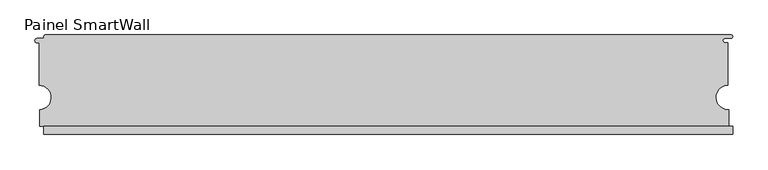
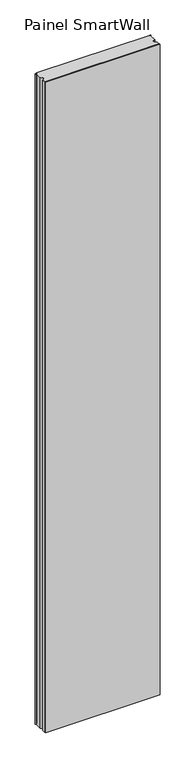
"""IFC4 building model written with IfcOpenShell, lengths in millimetres: proxy geometry, Painel SmartWall."""

from ifc_helpers import new_model, si_unit, frame, origin, origin_with_axes, place, context, project, spatial, polyline, circle_curve, outline, extrude, source, transform, mapped, element, save
from ifc_brep_helpers import plane_surface, cylinder_surface, revolved_surface, advanced_brep


def painel_smartwall_d69139a3(model_context):
    return source(origin(), model_context, "Body", "SolidModel", [
        extrude(outline(polyline([(572.5476627, -87.5), (-557.3296463, -87.5), (-557.3296463, -75.0), (572.5476627, -75.0), (572.5476627, -87.5)])), origin_with_axes(), (0.0, 0.0, 1.0), 6780.0),
        advanced_brep(
        [(-568.6450696, 62.2050825, 6780.0), (-565.0, 62.2050825, 6780.0), (-565.0, -7.5053016, 6780.0), (-563.9, -47.615849, 6780.0), (-563.9, -75.0, 6780.0), (566.1221557, -75.0, 6780.0), (566.1221557, -47.6227902, 6780.0), (565.0, -7.4999972, 6780.0), (565.0, 62.3531727, 6780.0), (559.4398936, 62.3531727, 6780.0), (560.0476622, 69.2999998, 6780.0), (569.8401627, 69.2999998, 6780.0), (572.5476627, 72.1500016, 6780.0), (569.840159, 75.0, 6780.0), (-554.8296463, 75.0, 6780.0), (-557.3296463, 72.5, 6780.0), (-557.3296463, 70.6188783, 6780.0), (-558.8296463, 69.1188783, 6780.0), (-568.6450696, 69.1188783, 6780.0), (-568.6450696, 62.2050825, 0.0), (-568.6450696, 69.1188783, 0.0), (-558.8296463, 69.1188783, 0.0), (-557.3296463, 70.6188783, 0.0), (-557.3296463, 72.5, 0.0), (-554.8296463, 75.0, 0.0), (569.840159, 75.0, 0.0), (572.5476627, 72.1500016, 0.0), (569.8401627, 69.2999998, 0.0), (560.0476622, 69.2999998, 0.0), (559.4398936, 62.3531727, 0.0), (565.0, 62.3531727, 0.0), (565.0, -7.4999972, 0.0), (566.1221557, -47.6227902, 0.0), (566.1221557, -75.0, 0.0), (-563.9, -75.0, 0.0), (-563.9, -47.615849, 0.0), (-565.0, -7.5053016, 0.0), (-565.0, 62.2050825, 0.0)],
        [
            (0, 1),
            (1, 2),
            (2, 3, circle_curve(frame((-565.0726436, -27.5776508, 6780.0), z_axis=(0.0, 0.0, -1.0), x_axis=(1.0, 0.0, 0.0)), 20.0724806)),
            (3, 4),
            (4, 5),
            (5, 6),
            (6, 7, circle_curve(frame((565.0746341, -27.5749986, 6780.0), z_axis=(0.0, 0.0, -1.0), x_axis=(1.0, 0.0, 0.0)), 20.0751401)),
            (7, 8),
            (8, 9),
            (9, 10, circle_curve(frame((560.0476622, 65.7999998, 6780.0), z_axis=(0.0, 0.0, -1.0), x_axis=(1.0, 0.0, 0.0)), 3.5)),
            (10, 11),
            (11, 12, circle_curve(frame((569.6939127, 72.1499998, 6780.0), z_axis=(0.0, 0.0, 1.0), x_axis=(1.0, 0.0, 0.0)), 2.85375)),
            (12, 13, circle_curve(frame((569.6939127, 72.1499998, 6780.0), z_axis=(0.0, 0.0, 1.0), x_axis=(1.0, 0.0, 0.0)), 2.85375)),
            (13, 14),
            (14, 15, circle_curve(frame((-554.8296463, 72.5, 6780.0), z_axis=(0.0, 0.0, 1.0), x_axis=(1.0, 0.0, 0.0)), 2.5)),
            (15, 16),
            (16, 17, circle_curve(frame((-558.8296463, 70.6188783, 6780.0), z_axis=(0.0, 0.0, -1.0), x_axis=(1.0, 0.0, 0.0)), 1.5)),
            (17, 18),
            (18, 0, circle_curve(frame((-568.6450696, 65.6619804, 6780.0), z_axis=(0.0, 0.0, 1.0), x_axis=(1.0, 0.0, 0.0)), 3.4568979)),
            (19, 20, circle_curve(frame((-568.6450696, 65.6619804, 0.0), z_axis=(0.0, 0.0, -1.0), x_axis=(1.0, 0.0, 0.0)), 3.4568979)),
            (20, 21),
            (21, 22, circle_curve(frame((-558.8296463, 70.6188783, 0.0), z_axis=(0.0, 0.0, 1.0), x_axis=(1.0, 0.0, 0.0)), 1.5)),
            (22, 23),
            (23, 24, circle_curve(frame((-554.8296463, 72.5, 0.0), z_axis=(0.0, 0.0, -1.0), x_axis=(1.0, 0.0, 0.0)), 2.5)),
            (24, 25),
            (25, 26, circle_curve(frame((569.6939127, 72.1499998, 0.0), z_axis=(0.0, 0.0, -1.0), x_axis=(1.0, 0.0, 0.0)), 2.85375)),
            (26, 27, circle_curve(frame((569.6939127, 72.1499998, 0.0), z_axis=(0.0, 0.0, -1.0), x_axis=(1.0, 0.0, 0.0)), 2.85375)),
            (27, 28),
            (28, 29, circle_curve(frame((560.0476622, 65.7999998, 0.0), z_axis=(0.0, 0.0, 1.0), x_axis=(1.0, 0.0, 0.0)), 3.5)),
            (29, 30),
            (30, 31),
            (31, 32, circle_curve(frame((565.0746341, -27.5749986, 0.0), z_axis=(0.0, 0.0, 1.0), x_axis=(1.0, 0.0, 0.0)), 20.0751401)),
            (32, 33),
            (33, 34),
            (34, 35),
            (35, 36, circle_curve(frame((-565.0726436, -27.5776508, 0.0), z_axis=(0.0, 0.0, 1.0), x_axis=(1.0, 0.0, 0.0)), 20.0724806)),
            (36, 37),
            (37, 19),
            (18, 20),
            (19, 0),
            (17, 21),
            (16, 22),
            (15, 23),
            (14, 24),
            (13, 25),
            (11, 27),
            (10, 28),
            (9, 29),
            (8, 30),
            (7, 31),
            (6, 32),
            (5, 33),
            (4, 34),
            (2, 36),
            (35, 3),
            (1, 37),
        ],
        [
            plane_surface(frame((-565.1881717, 65.6619804, 6780.0), z_axis=(0.0, 0.0, 1.0), x_axis=(0.0, -1.0, 0.0))),
            plane_surface(frame((-565.1881717, 65.6619804, 0.0), z_axis=(0.0, 0.0, -1.0), x_axis=(0.0, 1.0, 0.0))),
            cylinder_surface(frame((-568.6450696, 65.6619804, 0.0), z_axis=(0.0, 0.0, 1.0), x_axis=(1.0, 0.0, 0.0)), 3.4568979),
            plane_surface(frame((-568.6450696, 69.1188783, 6780.0), z_axis=(0.0, 1.0, 0.0), x_axis=(0.0, 0.0, -1.0))),
            revolved_surface(polyline([(-557.3296463, 70.6188783, 0.0), (-557.3296463, 70.6188783, 6780.0)]), (-558.8296463, 70.6188783, 0.0), (0.0, 0.0, -1.0)),
            plane_surface(frame((-557.3296463, 70.6188783, 6780.0), z_axis=(-1.0, 0.0, 0.0), x_axis=(0.0, 0.0, -1.0))),
            cylinder_surface(frame((-554.8296463, 72.5, 0.0), z_axis=(0.0, 0.0, 1.0), x_axis=(1.0, 0.0, 0.0)), 2.5),
            plane_surface(frame((-554.8296463, 75.0, 6780.0), z_axis=(0.0, 1.0, 0.0), x_axis=(0.0, 0.0, -1.0))),
            cylinder_surface(frame((569.6939127, 72.1499998, 0.0), z_axis=(0.0, 0.0, 1.0), x_axis=(1.0, 0.0, 0.0)), 2.85375),
            plane_surface(frame((569.8401627, 69.2999998, 6780.0), z_axis=(0.0, -1.0, 0.0), x_axis=(0.0, 0.0, -1.0))),
            revolved_surface(polyline([(563.5476622, 65.7999998, 0.0), (563.5476622, 65.7999998, 6780.0)]), (560.0476622, 65.7999998, 0.0), (0.0, 0.0, -1.0)),
            plane_surface(frame((559.4398936, 62.3531727, 6780.0), z_axis=(0.0, 1.0, 0.0), x_axis=(0.0, 0.0, -1.0))),
            plane_surface(frame((565.0, 62.3531727, 6780.0), z_axis=(1.0, 0.0, 0.0), x_axis=(0.0, 0.0, -1.0))),
            revolved_surface(polyline([(585.1497742, -27.5749986, 0.0), (585.1497742, -27.5749986, 6780.0)]), (565.0746341, -27.5749986, 0.0), (0.0, 0.0, -1.0)),
            plane_surface(frame((566.1221557, -47.6227902, 6780.0), z_axis=(1.0, 0.0, 0.0), x_axis=(0.0, 0.0, -1.0))),
            plane_surface(frame((566.1221557, -75.0, 6780.0), z_axis=(0.0, -1.0, 0.0), x_axis=(0.0, 0.0, -1.0))),
            revolved_surface(polyline([(-545.000163, -27.5776508, 0.0), (-545.000163, -27.5776508, 6780.0)]), (-565.0726436, -27.5776508, 0.0), (0.0, 0.0, -1.0)),
            plane_surface(frame((-565.0, -7.5053016, 6780.0), z_axis=(-1.0, 0.0, 0.0), x_axis=(0.0, 0.0, -1.0))),
            plane_surface(frame((-565.0, 62.2050825, 6780.0), z_axis=(0.0, -1.0, 0.0), x_axis=(0.0, 0.0, -1.0))),
            plane_surface(frame((-563.9, -75.0, 6780.0), z_axis=(-1.0, 0.0, 0.0), x_axis=(0.0, 0.0, -1.0))),
        ],
        [
            (0, [[1, 2, 3, 4, 5, 6, 7, 8, 9, 10, 11, 12, 13, 14, 15, 16, 17, 18, 19]]),
            (1, [[20, 21, 22, 23, 24, 25, 26, 27, 28, 29, 30, 31, 32, 33, 34, 35, 36, 37, 38]]),
            (2, [[39, -20, 40, -19]]),
            (3, [[41, -21, -39, -18]]),
            (4, [[42, -22, -41, -17]]),
            (5, [[43, -23, -42, -16]]),
            (6, [[44, -24, -43, -15]]),
            (7, [[45, -25, -44, -14]]),
            (8, [[-13, -12, 46, -27, -26, -45]]),
            (9, [[47, -28, -46, -11]]),
            (10, [[48, -29, -47, -10]]),
            (11, [[49, -30, -48, -9]]),
            (12, [[50, -31, -49, -8]]),
            (13, [[51, -32, -50, -7]]),
            (14, [[52, -33, -51, -6]]),
            (15, [[53, -34, -52, -5]]),
            (16, [[54, -36, 55, -3]]),
            (17, [[56, -37, -54, -2]]),
            (18, [[-40, -38, -56, -1]]),
            (19, [[-55, -35, -53, -4]]),
        ],
    ),
    ])


if __name__ == "__main__":
    model = new_model("IFC4")
    model_context = context("Model", 3, world=origin())
    ifc_project = project(units=[si_unit("LENGTHUNIT", "METRE", prefix="MILLI")], contexts=[model_context])
    site = spatial("IfcSite", under=ifc_project)
    building = spatial("IfcBuilding", under=site)
    placement = place(None, origin())
    painel_smartwall_shape = painel_smartwall_d69139a3(model_context)
    element("IfcBuildingElementProxy", 1, Name="Painel SmartWall", ObjectType="Painel SmartWall", at=placement, inside=building, context=model_context, shape_type="MappedRepresentation", body=[
        mapped(painel_smartwall_shape, transform((0.0, 0.0, 0.0), x_axis=(1.0, 0.0, 0.0), y_axis=(0.0, 1.0, 0.0), z_axis=(0.0, 0.0, 1.0))),
    ])
    save(model, "model.ifc")
